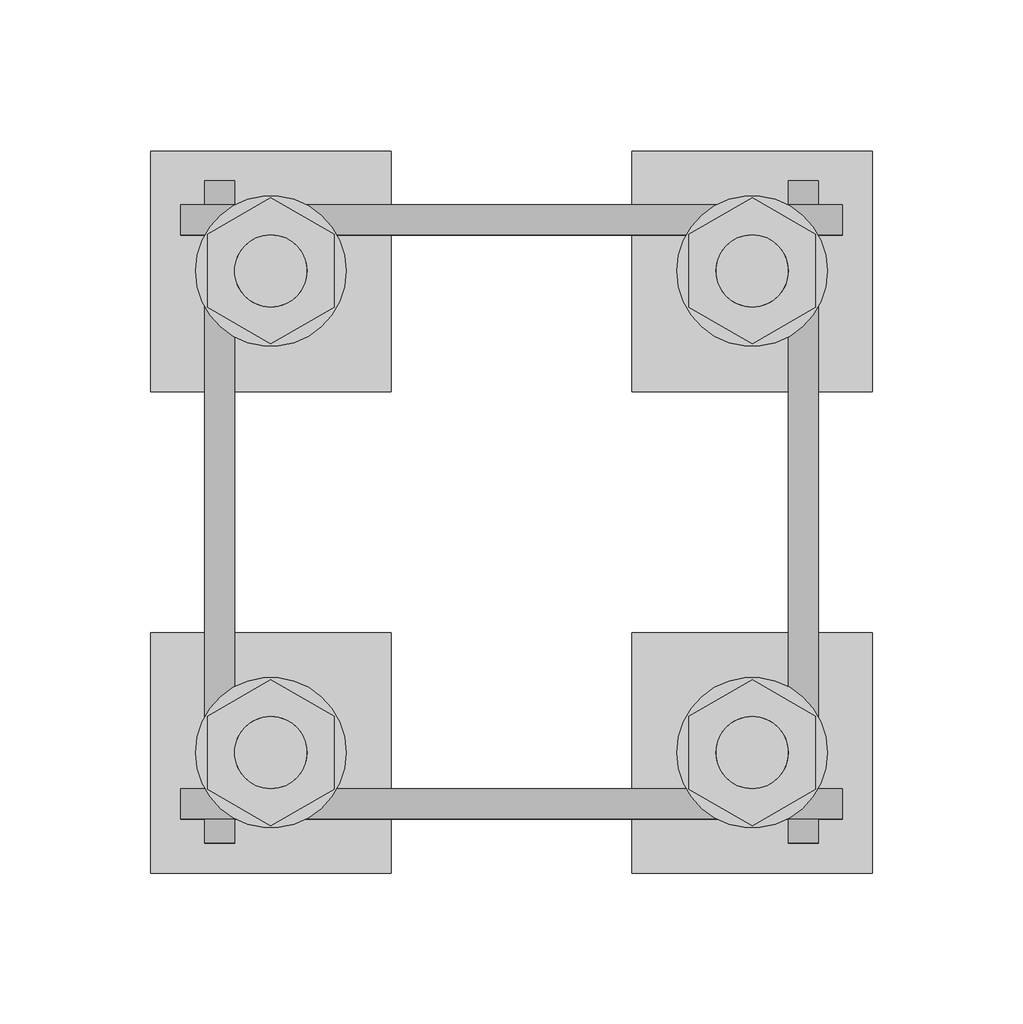
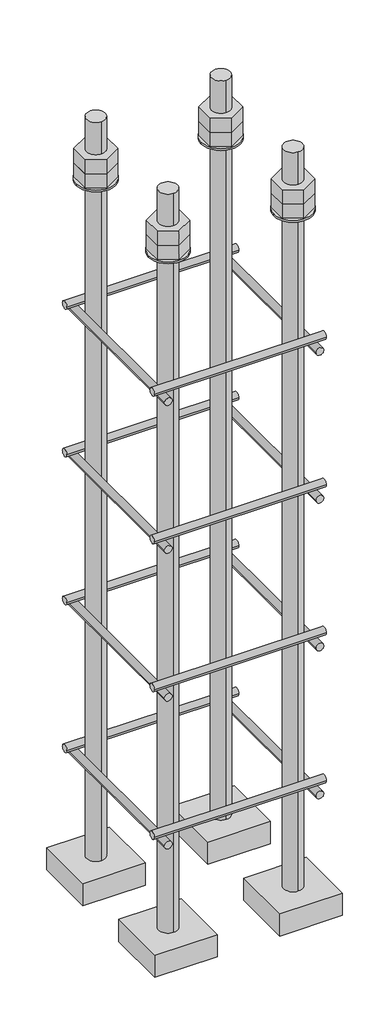
# One storey, part 8 of 66: 1 fastener.
"""IFC4 building model written with IfcOpenShell, lengths in millimetres."""

import ifcopenshell
import ifcopenshell.guid

model = None  # the IFC model being written
_history = None  # IfcOwnerHistory: only IFC2X3 demands one
_inside = {}  # id of a spatial element -> (the spatial element, [elements in it])
_under = {}  # id of a project, library or spatial element -> (it, [spatial elements below it])
_declared = {}  # id of a project -> (the project, [libraries it declares])
_typed = {}  # id of a type object -> (the type object, [elements of that type])
_made_of = {}  # id of a material, layer set ... -> (it, [elements and type objects made of it])


def new_model(schema):
    """Start an empty IFC model of exactly this schema.

    Asked for "IFC4X3", IfcOpenShell would pick the latest addendum, in which some entities
    have other attributes; the version numbers below select the first issue.
    IFC2X3 requires an IfcOwnerHistory on every rooted entity: one is made here for all.
    """
    global model, _history
    if schema == "IFC4X3":
        model = ifcopenshell.file(schema_version=(4, 3, 0, 0))
    else:
        model = ifcopenshell.file(schema=schema)
    _inside.clear()
    _under.clear()
    _declared.clear()
    _typed.clear()
    _made_of.clear()
    _history = None
    if model.schema == "IFC2X3":
        org = make("IfcOrganization", Name="unknown")
        user = make(
            "IfcPersonAndOrganization",
            ThePerson=make("IfcPerson", FamilyName="unknown"),
            TheOrganization=org,
        )
        app = make(
            "IfcApplication",
            ApplicationDeveloper=org,
            Version="unknown",
            ApplicationFullName="unknown",
            ApplicationIdentifier="unknown",
        )
        _history = make(
            "IfcOwnerHistory",
            OwningUser=user,
            OwningApplication=app,
            ChangeAction="ADDED",
            CreationDate=0,
        )
    return model


def make(cls, **values):
    """One entity of the class cls with the attributes given. An attribute that is None is left unset."""
    return model.create_entity(
        cls, **{name: value for name, value in values.items() if value is not None}
    )


def rooted(cls, **values):
    """An entity with a GlobalId (a new one), such as an element, a storey or a relation."""
    return make(cls, GlobalId=ifcopenshell.guid.new(), OwnerHistory=_history, **values)


def si_unit(unit_type, name, prefix=None):
    """IfcSIUnit, for example si_unit("LENGTHUNIT", "METRE", prefix="MILLI")."""
    return make("IfcSIUnit", UnitType=unit_type, Prefix=prefix, Name=name)


def assignment(units):
    """IfcUnitAssignment: the units of a project."""
    return None if units is None else make("IfcUnitAssignment", Units=units)


def point(xyz):
    """IfcCartesianPoint."""
    return None if xyz is None else make("IfcCartesianPoint", Coordinates=xyz)


def direction(xyz):
    """IfcDirection."""
    return None if xyz is None else make("IfcDirection", DirectionRatios=xyz)


def frame(location, z_axis=None, x_axis=None):
    """IfcAxis2Placement3D, a coordinate frame: its origin and axes. An axis left out is left unset."""
    return make(
        "IfcAxis2Placement3D",
        Location=point(location),
        Axis=direction(z_axis),
        RefDirection=direction(x_axis),
    )


def frame_2d(location, x_axis=None):
    """IfcAxis2Placement2D, a coordinate frame in the plane: its origin and x axis."""
    return make(
        "IfcAxis2Placement2D", Location=point(location), RefDirection=direction(x_axis)
    )


def origin():
    """The frame at (0, 0, 0) with its axes left unset."""
    return frame((0.0, 0.0, 0.0))


def place(relative_to, where):
    """IfcLocalPlacement: puts the frame where relative to a parent placement (None: the world)."""
    return make(
        "IfcLocalPlacement", PlacementRelTo=relative_to, RelativePlacement=where
    )


def context(
    kind, dimensions, precision=None, world=None, true_north=None, identifier=None
):
    """IfcGeometricRepresentationContext, for example the 3D "Model" context."""
    return make(
        "IfcGeometricRepresentationContext",
        ContextIdentifier=identifier,
        ContextType=kind,
        CoordinateSpaceDimension=dimensions,
        Precision=precision,
        WorldCoordinateSystem=world,
        TrueNorth=true_north,
    )


def project(units=None, contexts=None):
    """IfcProject with its units and contexts."""
    return rooted(
        "IfcProject",
        Name="project",
        RepresentationContexts=contexts,
        UnitsInContext=assignment(units),
    )


def spatial(cls, under=None, at=None, **own):
    """A site, building, storey or space (cls), placed at a placement, below another one or the project."""
    s = rooted(cls, ObjectPlacement=at, **own)
    if under is not None:
        _under.setdefault(under.id(), (under, []))[1].append(s)
    return s


def polyline(points):
    """IfcPolyline through the points."""
    return make("IfcPolyline", Points=[point(p) for p in points])


def circle_curve(where, radius):
    """IfcCircle in the frame where."""
    return make("IfcCircle", Position=where, Radius=radius)


def trimmed(basis, trim1, trim2, sense, master):
    """IfcTrimmedCurve: the piece of a basis curve between two trims."""
    return make(
        "IfcTrimmedCurve",
        BasisCurve=basis,
        Trim1=trim1,
        Trim2=trim2,
        SenseAgreement=sense,
        MasterRepresentation=master,
    )


def segment(curve, same_sense, transition):
    """IfcCompositeCurveSegment."""
    return make(
        "IfcCompositeCurveSegment",
        Transition=transition,
        SameSense=same_sense,
        ParentCurve=curve,
    )


def composite_curve(segments, self_intersect=None):
    """IfcCompositeCurve: segments joined end to end."""
    return make("IfcCompositeCurve", Segments=segments, SelfIntersect=self_intersect)


def outline(outer, holes=None, kind="AREA"):
    """IfcArbitraryClosedProfileDef: a profile drawn as a closed curve; with holes, ...WithVoids."""
    if holes is None:
        return make("IfcArbitraryClosedProfileDef", ProfileType=kind, OuterCurve=outer)
    return make(
        "IfcArbitraryProfileDefWithVoids",
        ProfileType=kind,
        OuterCurve=outer,
        InnerCurves=holes,
    )


def extrude(swept, where, along, depth):
    """IfcExtrudedAreaSolid: the profile swept, set in the frame where, extruded along a direction by depth."""
    return make(
        "IfcExtrudedAreaSolid",
        SweptArea=swept,
        Position=where,
        ExtrudedDirection=direction(along),
        Depth=depth,
    )


def shape(context_of_items, identifier, shape_type, items):
    """IfcShapeRepresentation: the items that make up one representation, for example the "Body"."""
    return make(
        "IfcShapeRepresentation",
        ContextOfItems=context_of_items,
        RepresentationIdentifier=identifier,
        RepresentationType=shape_type,
        Items=items,
    )


def made_of(thing, what):
    """Note that an element or type object is made of a material, layer set ...; save() writes the relation."""
    if what is not None:
        _made_of.setdefault(what.id(), (what, []))[1].append(thing)
    return thing


def element(
    cls,
    number,
    at=None,
    inside=None,
    cuts=None,
    type_object=None,
    material=None,
    context=None,
    identifier="Body",
    shape_type=None,
    held_by="IfcProductDefinitionShape",
    body=None,
    shapes=None,
    **own,
):
    """One element of the class cls, such as IfcWall. Its Tag is "e" and its number.

    at: its placement. inside: the storey or other place that contains it. cuts: it is an
    opening in that element (IfcRelVoidsElement). A single representation is given by context,
    identifier, shape_type and body (its items); several are given by shapes. held_by: the class
    of the entity that holds the representations. save() writes the other relations.
    """
    e = rooted(cls, Tag="e%d" % number, ObjectPlacement=at, **own)
    if body is not None:
        shapes = [shape(context, identifier, shape_type, body)]
    if shapes is not None:
        e.Representation = make(held_by, Representations=shapes)
    if inside is not None:
        _inside.setdefault(inside.id(), (inside, []))[1].append(e)
    if cuts is not None:
        rooted(
            "IfcRelVoidsElement", RelatingBuildingElement=cuts, RelatedOpeningElement=e
        )
    if type_object is not None:
        _typed.setdefault(type_object.id(), (type_object, []))[1].append(e)
    return made_of(e, material)


def aggregate(whole, parts):
    """IfcRelAggregates: a whole, such as a stair, and the parts it consists of."""
    return rooted("IfcRelAggregates", RelatingObject=whole, RelatedObjects=parts)


def save(model, path):
    """Write the relations noted so far, then the file.

    IfcRelAggregates (storeys below a building ...), IfcRelContainedInSpatialStructure (elements
    in a storey), IfcRelDefinesByType, IfcRelAssociatesMaterial and IfcRelDeclares: one each for
    every whole, place, type object, material and project.
    """
    for whole, parts in _under.values():
        aggregate(whole, parts)
    for where, things in _inside.values():
        rooted(
            "IfcRelContainedInSpatialStructure",
            RelatedElements=things,
            RelatingStructure=where,
        )
    for kind, things in _typed.values():
        rooted("IfcRelDefinesByType", RelatedObjects=things, RelatingType=kind)
    for what, things in _made_of.values():
        rooted("IfcRelAssociatesMaterial", RelatedObjects=things, RelatingMaterial=what)
    for by, libraries in _declared.values():
        rooted("IfcRelDeclares", RelatingContext=by, RelatedDefinitions=libraries)
    model.write(path)


def plane_surface(at):
    """IfcPlane: the flat surface through the origin of the frame at, square to its z axis."""
    return make("IfcPlane", Position=at)


def cylinder_surface(at, radius):
    """IfcCylindricalSurface: all points at the distance radius from the z axis of the frame at."""
    return make("IfcCylindricalSurface", Position=at, Radius=radius)


def advanced_brep(points, edges, surfaces, faces):
    """IfcAdvancedBrep: a solid bounded by faces that lie on surfaces and meet in shared edges.

    An edge is (start, end): straight between two places in points (the first is 0);
    or (start, end, curve); or (start, end, curve, False) where it runs against its curve.
    A face is (place in surfaces, loops), or (place, loops, False) where it looks against
    its surface's normal. A loop lists edges by number (the first is 1), with a minus sign
    where the edge is run from its end to its start. The first loop is the outer one.
    """
    corners = [point(p) for p in points]
    vertices = [make("IfcVertexPoint", VertexGeometry=c) for c in corners]
    made = []
    for start, end, *more in edges:
        made.append(
            make(
                "IfcEdgeCurve",
                EdgeStart=vertices[start],
                EdgeEnd=vertices[end],
                EdgeGeometry=more[0] if more else make("IfcPolyline", Points=[corners[start], corners[end]]),
                SameSense=more[1] if len(more) > 1 else True,
            )
        )
    hull = []
    for where, loops, *sense in faces:
        bounds = []
        for j, loop in enumerate(loops):
            ring = [make("IfcOrientedEdge", EdgeElement=made[abs(k) - 1], Orientation=k > 0) for k in loop]
            bounds.append(
                make(
                    "IfcFaceOuterBound" if j == 0 else "IfcFaceBound",
                    Bound=make("IfcEdgeLoop", EdgeList=ring),
                    Orientation=True,
                )
            )
        hull.append(make("IfcAdvancedFace", Bounds=bounds, FaceSurface=surfaces[where], SameSense=sense[0] if sense else True))
    return make("IfcAdvancedBrep", Outer=make("IfcClosedShell", CfsFaces=hull))


model = new_model("IFC4")

# Units and contexts
model_context = context("Model", 3, world=origin())
ifc_project = project(units=[si_unit("LENGTHUNIT", "METRE", prefix="MILLI")], contexts=[model_context])

# Site, building, storey
site = spatial("IfcSite", under=ifc_project)
building = spatial("IfcBuilding", under=site)
storey = spatial("IfcBuildingStorey", under=building, Elevation=9070.0)

# Fastener
placement = place(None, origin())
element("IfcFastener", 1, ObjectType="AU1 : AU-01", at=placement, inside=storey, context=model_context, shape_type="SolidModel", body=[
    extrude(outline(composite_curve([segment(trimmed(circle_curve(frame_2d((14703.0, 8395.0)), 5.0), [point((14698.0, 8395.0))], [point((14708.0, 8395.0))], False, "CARTESIAN"), True, "CONTINUOUS"), segment(trimmed(circle_curve(frame_2d((14703.0, 8395.0)), 5.0), [point((14708.0, 8395.0))], [point((14698.0, 8395.0))], False, "CARTESIAN"), True, "CONTINUOUS")], self_intersect=False)), frame((27890.0, 0.0, 0.0), z_axis=(1.0, 0.0, 0.0), x_axis=(0.0, 1.0, 0.0)), (0.0, 0.0, 1.0), 220.0),
    extrude(outline(composite_curve([segment(trimmed(circle_curve(frame_2d((14897.0, 8395.0)), 5.0), [point((14902.0, 8395.0))], [point((14892.0, 8395.0))], False, "CARTESIAN"), True, "CONTINUOUS"), segment(trimmed(circle_curve(frame_2d((14897.0, 8395.0)), 5.0), [point((14892.0, 8395.0))], [point((14902.0, 8395.0))], False, "CARTESIAN"), True, "CONTINUOUS")], self_intersect=False)), frame((27890.0, 0.0, 0.0), z_axis=(1.0, 0.0, 0.0), x_axis=(0.0, 1.0, 0.0)), (0.0, 0.0, 1.0), 220.0),
    extrude(outline(composite_curve([segment(trimmed(circle_curve(frame_2d((8385.0, 27903.0)), 5.0), [point((8385.0, 27898.0))], [point((8385.0, 27908.0))], False, "CARTESIAN"), True, "CONTINUOUS"), segment(trimmed(circle_curve(frame_2d((8385.0, 27903.0)), 5.0), [point((8385.0, 27908.0))], [point((8385.0, 27898.0))], False, "CARTESIAN"), True, "CONTINUOUS")], self_intersect=False)), frame((0.0, 14690.0, 0.0), z_axis=(0.0, 1.0, 0.0), x_axis=(0.0, 0.0, 1.0)), (0.0, 0.0, 1.0), 220.0),
    extrude(outline(composite_curve([segment(trimmed(circle_curve(frame_2d((8385.0, 28097.0)), 5.0), [point((8385.0, 28102.0))], [point((8385.0, 28092.0))], False, "CARTESIAN"), True, "CONTINUOUS"), segment(trimmed(circle_curve(frame_2d((8385.0, 28097.0)), 5.0), [point((8385.0, 28092.0))], [point((8385.0, 28102.0))], False, "CARTESIAN"), True, "CONTINUOUS")], self_intersect=False)), frame((0.0, 14690.0, 0.0), z_axis=(0.0, 1.0, 0.0), x_axis=(0.0, 0.0, 1.0)), (0.0, 0.0, 1.0), 220.0),
    extrude(outline(composite_curve([segment(trimmed(circle_curve(frame_2d((14703.0, 8595.0)), 5.0), [point((14698.0, 8595.0))], [point((14708.0, 8595.0))], False, "CARTESIAN"), True, "CONTINUOUS"), segment(trimmed(circle_curve(frame_2d((14703.0, 8595.0)), 5.0), [point((14708.0, 8595.0))], [point((14698.0, 8595.0))], False, "CARTESIAN"), True, "CONTINUOUS")], self_intersect=False)), frame((27890.0, 0.0, 0.0), z_axis=(1.0, 0.0, 0.0), x_axis=(0.0, 1.0, 0.0)), (0.0, 0.0, 1.0), 220.0),
    extrude(outline(composite_curve([segment(trimmed(circle_curve(frame_2d((14897.0, 8595.0)), 5.0), [point((14902.0, 8595.0))], [point((14892.0, 8595.0))], False, "CARTESIAN"), True, "CONTINUOUS"), segment(trimmed(circle_curve(frame_2d((14897.0, 8595.0)), 5.0), [point((14892.0, 8595.0))], [point((14902.0, 8595.0))], False, "CARTESIAN"), True, "CONTINUOUS")], self_intersect=False)), frame((27890.0, 0.0, 0.0), z_axis=(1.0, 0.0, 0.0), x_axis=(0.0, 1.0, 0.0)), (0.0, 0.0, 1.0), 220.0),
    extrude(outline(composite_curve([segment(trimmed(circle_curve(frame_2d((8585.0, 27903.0)), 5.0), [point((8585.0, 27898.0))], [point((8585.0, 27908.0))], False, "CARTESIAN"), True, "CONTINUOUS"), segment(trimmed(circle_curve(frame_2d((8585.0, 27903.0)), 5.0), [point((8585.0, 27908.0))], [point((8585.0, 27898.0))], False, "CARTESIAN"), True, "CONTINUOUS")], self_intersect=False)), frame((0.0, 14690.0, 0.0), z_axis=(0.0, 1.0, 0.0), x_axis=(0.0, 0.0, 1.0)), (0.0, 0.0, 1.0), 220.0),
    extrude(outline(composite_curve([segment(trimmed(circle_curve(frame_2d((8585.0, 28097.0)), 5.0), [point((8585.0, 28102.0))], [point((8585.0, 28092.0))], False, "CARTESIAN"), True, "CONTINUOUS"), segment(trimmed(circle_curve(frame_2d((8585.0, 28097.0)), 5.0), [point((8585.0, 28092.0))], [point((8585.0, 28102.0))], False, "CARTESIAN"), True, "CONTINUOUS")], self_intersect=False)), frame((0.0, 14690.0, 0.0), z_axis=(0.0, 1.0, 0.0), x_axis=(0.0, 0.0, 1.0)), (0.0, 0.0, 1.0), 220.0),
    extrude(outline(composite_curve([segment(trimmed(circle_curve(frame_2d((14703.0, 8795.0)), 5.0), [point((14698.0, 8795.0))], [point((14708.0, 8795.0))], False, "CARTESIAN"), True, "CONTINUOUS"), segment(trimmed(circle_curve(frame_2d((14703.0, 8795.0)), 5.0), [point((14708.0, 8795.0))], [point((14698.0, 8795.0))], False, "CARTESIAN"), True, "CONTINUOUS")], self_intersect=False)), frame((27890.0, 0.0, 0.0), z_axis=(1.0, 0.0, 0.0), x_axis=(0.0, 1.0, 0.0)), (0.0, 0.0, 1.0), 220.0),
    extrude(outline(composite_curve([segment(trimmed(circle_curve(frame_2d((14897.0, 8795.0)), 5.0), [point((14902.0, 8795.0))], [point((14892.0, 8795.0))], False, "CARTESIAN"), True, "CONTINUOUS"), segment(trimmed(circle_curve(frame_2d((14897.0, 8795.0)), 5.0), [point((14892.0, 8795.0))], [point((14902.0, 8795.0))], False, "CARTESIAN"), True, "CONTINUOUS")], self_intersect=False)), frame((27890.0, 0.0, 0.0), z_axis=(1.0, 0.0, 0.0), x_axis=(0.0, 1.0, 0.0)), (0.0, 0.0, 1.0), 220.0),
    extrude(outline(composite_curve([segment(trimmed(circle_curve(frame_2d((8785.0, 27903.0)), 5.0), [point((8785.0, 27898.0))], [point((8785.0, 27908.0))], False, "CARTESIAN"), True, "CONTINUOUS"), segment(trimmed(circle_curve(frame_2d((8785.0, 27903.0)), 5.0), [point((8785.0, 27908.0))], [point((8785.0, 27898.0))], False, "CARTESIAN"), True, "CONTINUOUS")], self_intersect=False)), frame((0.0, 14690.0, 0.0), z_axis=(0.0, 1.0, 0.0), x_axis=(0.0, 0.0, 1.0)), (0.0, 0.0, 1.0), 220.0),
    extrude(outline(composite_curve([segment(trimmed(circle_curve(frame_2d((8785.0, 28097.0)), 5.0), [point((8785.0, 28102.0))], [point((8785.0, 28092.0))], False, "CARTESIAN"), True, "CONTINUOUS"), segment(trimmed(circle_curve(frame_2d((8785.0, 28097.0)), 5.0), [point((8785.0, 28092.0))], [point((8785.0, 28102.0))], False, "CARTESIAN"), True, "CONTINUOUS")], self_intersect=False)), frame((0.0, 14690.0, 0.0), z_axis=(0.0, 1.0, 0.0), x_axis=(0.0, 0.0, 1.0)), (0.0, 0.0, 1.0), 220.0),
    extrude(outline(composite_curve([segment(trimmed(circle_curve(frame_2d((14703.0, 8995.0)), 5.0), [point((14698.0, 8995.0))], [point((14708.0, 8995.0))], False, "CARTESIAN"), True, "CONTINUOUS"), segment(trimmed(circle_curve(frame_2d((14703.0, 8995.0)), 5.0), [point((14708.0, 8995.0))], [point((14698.0, 8995.0))], False, "CARTESIAN"), True, "CONTINUOUS")], self_intersect=False)), frame((27890.0, 0.0, 0.0), z_axis=(1.0, 0.0, 0.0), x_axis=(0.0, 1.0, 0.0)), (0.0, 0.0, 1.0), 220.0),
    extrude(outline(composite_curve([segment(trimmed(circle_curve(frame_2d((14897.0, 8995.0)), 5.0), [point((14902.0, 8995.0))], [point((14892.0, 8995.0))], False, "CARTESIAN"), True, "CONTINUOUS"), segment(trimmed(circle_curve(frame_2d((14897.0, 8995.0)), 5.0), [point((14892.0, 8995.0))], [point((14902.0, 8995.0))], False, "CARTESIAN"), True, "CONTINUOUS")], self_intersect=False)), frame((27890.0, 0.0, 0.0), z_axis=(1.0, 0.0, 0.0), x_axis=(0.0, 1.0, 0.0)), (0.0, 0.0, 1.0), 220.0),
    extrude(outline(composite_curve([segment(trimmed(circle_curve(frame_2d((8985.0, 27903.0)), 5.0), [point((8985.0, 27898.0))], [point((8985.0, 27908.0))], False, "CARTESIAN"), True, "CONTINUOUS"), segment(trimmed(circle_curve(frame_2d((8985.0, 27903.0)), 5.0), [point((8985.0, 27908.0))], [point((8985.0, 27898.0))], False, "CARTESIAN"), True, "CONTINUOUS")], self_intersect=False)), frame((0.0, 14690.0, 0.0), z_axis=(0.0, 1.0, 0.0), x_axis=(0.0, 0.0, 1.0)), (0.0, 0.0, 1.0), 220.0),
    extrude(outline(composite_curve([segment(trimmed(circle_curve(frame_2d((8985.0, 28097.0)), 5.0), [point((8985.0, 28102.0))], [point((8985.0, 28092.0))], False, "CARTESIAN"), True, "CONTINUOUS"), segment(trimmed(circle_curve(frame_2d((8985.0, 28097.0)), 5.0), [point((8985.0, 28092.0))], [point((8985.0, 28102.0))], False, "CARTESIAN"), True, "CONTINUOUS")], self_intersect=False)), frame((0.0, 14690.0, 0.0), z_axis=(0.0, 1.0, 0.0), x_axis=(0.0, 0.0, 1.0)), (0.0, 0.0, 1.0), 220.0),
    advanced_brep(
    [(27960.0, 14920.0, 8250.0), (27880.0, 14920.0, 8250.0), (27880.0, 14840.0, 8250.0), (27960.0, 14840.0, 8250.0), (27920.0, 14868.0, 8250.0), (27920.0, 14892.0, 8250.0), (27960.0, 14920.0, 8220.0), (27960.0, 14840.0, 8220.0), (27880.0, 14840.0, 8220.0), (27880.0, 14920.0, 8220.0), (27920.0, 14892.0, 9250.0), (27920.0, 14868.0, 9250.0)],
    [
        (0, 1),
        (1, 2),
        (2, 3),
        (3, 0),
        (4, 5, circle_curve(frame((27920.0, 14880.0, 8250.0), z_axis=(0.0, 0.0, -1.0), x_axis=(0.0, -1.0, 0.0)), 12.0)),
        (5, 4, circle_curve(frame((27920.0, 14880.0, 8250.0), z_axis=(0.0, 0.0, -1.0), x_axis=(0.0, -1.0, 0.0)), 12.0)),
        (6, 7),
        (7, 8),
        (8, 9),
        (9, 6),
        (0, 6),
        (9, 1),
        (8, 2),
        (7, 3),
        (10, 11, circle_curve(frame((27920.0, 14880.0, 9250.0), z_axis=(0.0, 0.0, 1.0), x_axis=(0.0, -1.0, 0.0)), 12.0)),
        (11, 10, circle_curve(frame((27920.0, 14880.0, 9250.0), z_axis=(0.0, 0.0, 1.0), x_axis=(0.0, -1.0, 0.0)), 12.0)),
        (10, 5),
        (4, 11),
    ],
    [
        plane_surface(frame((27880.0, 14920.0, 8250.0), z_axis=(0.0, 0.0, 1.0), x_axis=(-1.0, 0.0, 0.0))),
        plane_surface(frame((27880.0, 14920.0, 8220.0), z_axis=(0.0, 0.0, -1.0), x_axis=(1.0, 0.0, 0.0))),
        plane_surface(frame((27960.0, 14920.0, 8250.0), z_axis=(0.0, 1.0, 0.0), x_axis=(0.0, 0.0, -1.0))),
        plane_surface(frame((27880.0, 14920.0, 8250.0), z_axis=(-1.0, 0.0, 0.0), x_axis=(0.0, 0.0, -1.0))),
        plane_surface(frame((27880.0, 14840.0, 8250.0), z_axis=(0.0, -1.0, 0.0), x_axis=(0.0, 0.0, -1.0))),
        plane_surface(frame((27960.0, 14840.0, 8250.0), z_axis=(1.0, 0.0, 0.0), x_axis=(0.0, 0.0, -1.0))),
        plane_surface(frame((27920.0, 14880.0, 9250.0), z_axis=(0.0, 0.0, 1.0), x_axis=(0.0, -1.0, 0.0))),
        cylinder_surface(frame((27920.0, 14880.0, 9250.0), z_axis=(0.0, 0.0, 1.0), x_axis=(0.0, -1.0, 0.0)), 12.0),
    ],
    [
        (0, [[1, 2, 3, 4], [5, 6]]),
        (1, [[7, 8, 9, 10]]),
        (2, [[-1, 11, -10, 12]]),
        (3, [[-2, -12, -9, 13]]),
        (4, [[-3, -13, -8, 14]]),
        (5, [[-4, -14, -7, -11]]),
        (6, [[15, 16]]),
        (7, [[-15, 17, -5, 18]]),
        (7, [[-16, -18, -6, -17]]),
    ],
),
    extrude(outline(composite_curve([segment(trimmed(circle_curve(frame_2d((27920.0, 14880.0)), 25.0), [point((27945.0, 14880.0))], [point((27895.0, 14880.0))], False, "CARTESIAN"), True, "CONTINUOUS"), segment(trimmed(circle_curve(frame_2d((27920.0, 14880.0)), 25.0), [point((27895.0, 14880.0))], [point((27945.0, 14880.0))], False, "CARTESIAN"), True, "CONTINUOUS")], self_intersect=False), holes=[composite_curve([segment(trimmed(circle_curve(frame_2d((27920.0, 14880.0)), 12.0), [point((27932.0, 14880.0))], [point((27908.0, 14880.0))], True, "CARTESIAN"), True, "CONTINUOUS"), segment(trimmed(circle_curve(frame_2d((27920.0, 14880.0)), 12.0), [point((27908.0, 14880.0))], [point((27932.0, 14880.0))], True, "CARTESIAN"), True, "CONTINUOUS")], self_intersect=False)]), frame((0.0, 0.0, 9165.0), z_axis=(0.0, 0.0, 1.0), x_axis=(1.0, 0.0, 0.0)), (0.0, 0.0, 1.0), 2.5),
    extrude(outline(polyline([(27920.0, 14904.2487113), (27941.0, 14892.1243557), (27941.0, 14867.8756443), (27920.0, 14855.7512887), (27899.0, 14867.8756443), (27899.0, 14892.1243557), (27920.0, 14904.2487113)]), holes=[composite_curve([segment(trimmed(circle_curve(frame_2d((27920.0, 14880.0)), 12.0), [point((27932.0, 14880.0))], [point((27908.0, 14880.0))], True, "CARTESIAN"), True, "CONTINUOUS"), segment(trimmed(circle_curve(frame_2d((27920.0, 14880.0)), 12.0), [point((27908.0, 14880.0))], [point((27932.0, 14880.0))], True, "CARTESIAN"), True, "CONTINUOUS")], self_intersect=False)]), frame((0.0, 0.0, 9187.0), z_axis=(0.0, 0.0, 1.0), x_axis=(1.0, 0.0, 0.0)), (0.0, 0.0, 1.0), 19.5),
    extrude(outline(polyline([(27920.0, 14904.2487113), (27941.0, 14892.1243557), (27941.0, 14867.8756443), (27920.0, 14855.7512887), (27899.0, 14867.8756443), (27899.0, 14892.1243557), (27920.0, 14904.2487113)]), holes=[composite_curve([segment(trimmed(circle_curve(frame_2d((27920.0, 14880.0)), 12.0), [point((27932.0, 14880.0))], [point((27908.0, 14880.0))], True, "CARTESIAN"), True, "CONTINUOUS"), segment(trimmed(circle_curve(frame_2d((27920.0, 14880.0)), 12.0), [point((27908.0, 14880.0))], [point((27932.0, 14880.0))], True, "CARTESIAN"), True, "CONTINUOUS")], self_intersect=False)]), frame((0.0, 0.0, 9167.5), z_axis=(0.0, 0.0, 1.0), x_axis=(1.0, 0.0, 0.0)), (0.0, 0.0, 1.0), 19.5),
    advanced_brep(
    [(28040.0, 14840.0, 8250.0), (28120.0, 14840.0, 8250.0), (28120.0, 14920.0, 8250.0), (28040.0, 14920.0, 8250.0), (28080.0, 14892.0, 8250.0), (28080.0, 14868.0, 8250.0), (28040.0, 14840.0, 8220.0), (28040.0, 14920.0, 8220.0), (28120.0, 14920.0, 8220.0), (28120.0, 14840.0, 8220.0), (28080.0, 14868.0, 9250.0), (28080.0, 14892.0, 9250.0)],
    [
        (0, 1),
        (1, 2),
        (2, 3),
        (3, 0),
        (4, 5, circle_curve(frame((28080.0, 14880.0, 8250.0), z_axis=(0.0, 0.0, -1.0), x_axis=(0.0, 1.0, 0.0)), 12.0)),
        (5, 4, circle_curve(frame((28080.0, 14880.0, 8250.0), z_axis=(0.0, 0.0, -1.0), x_axis=(0.0, 1.0, 0.0)), 12.0)),
        (6, 7),
        (7, 8),
        (8, 9),
        (9, 6),
        (0, 6),
        (9, 1),
        (8, 2),
        (7, 3),
        (10, 11, circle_curve(frame((28080.0, 14880.0, 9250.0), z_axis=(0.0, 0.0, 1.0), x_axis=(0.0, 1.0, 0.0)), 12.0)),
        (11, 10, circle_curve(frame((28080.0, 14880.0, 9250.0), z_axis=(0.0, 0.0, 1.0), x_axis=(0.0, 1.0, 0.0)), 12.0)),
        (10, 5),
        (4, 11),
    ],
    [
        plane_surface(frame((28120.0, 14840.0, 8250.0), z_axis=(0.0, 0.0, 1.0), x_axis=(1.0, 0.0, 0.0))),
        plane_surface(frame((28120.0, 14840.0, 8220.0), z_axis=(0.0, 0.0, -1.0), x_axis=(-1.0, 0.0, 0.0))),
        plane_surface(frame((28040.0, 14840.0, 8250.0), z_axis=(0.0, -1.0, 0.0), x_axis=(0.0, 0.0, -1.0))),
        plane_surface(frame((28120.0, 14840.0, 8250.0), z_axis=(1.0, 0.0, 0.0), x_axis=(0.0, 0.0, -1.0))),
        plane_surface(frame((28120.0, 14920.0, 8250.0), z_axis=(0.0, 1.0, 0.0), x_axis=(0.0, 0.0, -1.0))),
        plane_surface(frame((28040.0, 14920.0, 8250.0), z_axis=(-1.0, 0.0, 0.0), x_axis=(0.0, 0.0, -1.0))),
        plane_surface(frame((28080.0, 14880.0, 9250.0), z_axis=(0.0, 0.0, 1.0), x_axis=(0.0, 1.0, 0.0))),
        cylinder_surface(frame((28080.0, 14880.0, 9250.0), z_axis=(0.0, 0.0, 1.0), x_axis=(0.0, 1.0, 0.0)), 12.0),
    ],
    [
        (0, [[1, 2, 3, 4], [5, 6]]),
        (1, [[7, 8, 9, 10]]),
        (2, [[-1, 11, -10, 12]]),
        (3, [[-2, -12, -9, 13]]),
        (4, [[-3, -13, -8, 14]]),
        (5, [[-4, -14, -7, -11]]),
        (6, [[15, 16]]),
        (7, [[-15, 17, -5, 18]]),
        (7, [[-16, -18, -6, -17]]),
    ],
),
    extrude(outline(composite_curve([segment(trimmed(circle_curve(frame_2d((28080.0, 14880.0)), 25.0), [point((28055.0, 14880.0))], [point((28105.0, 14880.0))], False, "CARTESIAN"), True, "CONTINUOUS"), segment(trimmed(circle_curve(frame_2d((28080.0, 14880.0)), 25.0), [point((28105.0, 14880.0))], [point((28055.0, 14880.0))], False, "CARTESIAN"), True, "CONTINUOUS")], self_intersect=False), holes=[composite_curve([segment(trimmed(circle_curve(frame_2d((28080.0, 14880.0)), 12.0), [point((28068.0, 14880.0))], [point((28092.0, 14880.0))], True, "CARTESIAN"), True, "CONTINUOUS"), segment(trimmed(circle_curve(frame_2d((28080.0, 14880.0)), 12.0), [point((28092.0, 14880.0))], [point((28068.0, 14880.0))], True, "CARTESIAN"), True, "CONTINUOUS")], self_intersect=False)]), frame((0.0, 0.0, 9165.0), z_axis=(0.0, 0.0, 1.0), x_axis=(1.0, 0.0, 0.0)), (0.0, 0.0, 1.0), 2.5),
    extrude(outline(polyline([(28080.0, 14855.7512887), (28059.0, 14867.8756443), (28059.0, 14892.1243557), (28080.0, 14904.2487113), (28101.0, 14892.1243557), (28101.0, 14867.8756443), (28080.0, 14855.7512887)]), holes=[composite_curve([segment(trimmed(circle_curve(frame_2d((28080.0, 14880.0)), 12.0), [point((28068.0, 14880.0))], [point((28092.0, 14880.0))], True, "CARTESIAN"), True, "CONTINUOUS"), segment(trimmed(circle_curve(frame_2d((28080.0, 14880.0)), 12.0), [point((28092.0, 14880.0))], [point((28068.0, 14880.0))], True, "CARTESIAN"), True, "CONTINUOUS")], self_intersect=False)]), frame((0.0, 0.0, 9187.0), z_axis=(0.0, 0.0, 1.0), x_axis=(1.0, 0.0, 0.0)), (0.0, 0.0, 1.0), 19.5),
    extrude(outline(polyline([(28080.0, 14855.7512887), (28059.0, 14867.8756443), (28059.0, 14892.1243557), (28080.0, 14904.2487113), (28101.0, 14892.1243557), (28101.0, 14867.8756443), (28080.0, 14855.7512887)]), holes=[composite_curve([segment(trimmed(circle_curve(frame_2d((28080.0, 14880.0)), 12.0), [point((28068.0, 14880.0))], [point((28092.0, 14880.0))], True, "CARTESIAN"), True, "CONTINUOUS"), segment(trimmed(circle_curve(frame_2d((28080.0, 14880.0)), 12.0), [point((28092.0, 14880.0))], [point((28068.0, 14880.0))], True, "CARTESIAN"), True, "CONTINUOUS")], self_intersect=False)]), frame((0.0, 0.0, 9167.5), z_axis=(0.0, 0.0, 1.0), x_axis=(1.0, 0.0, 0.0)), (0.0, 0.0, 1.0), 19.5),
    advanced_brep(
    [(28040.0, 14680.0, 8250.0), (28120.0, 14680.0, 8250.0), (28120.0, 14760.0, 8250.0), (28040.0, 14760.0, 8250.0), (28080.0, 14732.0, 8250.0), (28080.0, 14708.0, 8250.0), (28040.0, 14680.0, 8220.0), (28040.0, 14760.0, 8220.0), (28120.0, 14760.0, 8220.0), (28120.0, 14680.0, 8220.0), (28080.0, 14708.0, 9250.0), (28080.0, 14732.0, 9250.0)],
    [
        (0, 1),
        (1, 2),
        (2, 3),
        (3, 0),
        (4, 5, circle_curve(frame((28080.0, 14720.0, 8250.0), z_axis=(0.0, 0.0, -1.0), x_axis=(0.0, 1.0, 0.0)), 12.0)),
        (5, 4, circle_curve(frame((28080.0, 14720.0, 8250.0), z_axis=(0.0, 0.0, -1.0), x_axis=(0.0, 1.0, 0.0)), 12.0)),
        (6, 7),
        (7, 8),
        (8, 9),
        (9, 6),
        (0, 6),
        (9, 1),
        (8, 2),
        (7, 3),
        (10, 11, circle_curve(frame((28080.0, 14720.0, 9250.0), z_axis=(0.0, 0.0, 1.0), x_axis=(0.0, 1.0, 0.0)), 12.0)),
        (11, 10, circle_curve(frame((28080.0, 14720.0, 9250.0), z_axis=(0.0, 0.0, 1.0), x_axis=(0.0, 1.0, 0.0)), 12.0)),
        (10, 5),
        (4, 11),
    ],
    [
        plane_surface(frame((28120.0, 14680.0, 8250.0), z_axis=(0.0, 0.0, 1.0), x_axis=(1.0, 0.0, 0.0))),
        plane_surface(frame((28120.0, 14680.0, 8220.0), z_axis=(0.0, 0.0, -1.0), x_axis=(-1.0, 0.0, 0.0))),
        plane_surface(frame((28040.0, 14680.0, 8250.0), z_axis=(0.0, -1.0, 0.0), x_axis=(0.0, 0.0, -1.0))),
        plane_surface(frame((28120.0, 14680.0, 8250.0), z_axis=(1.0, 0.0, 0.0), x_axis=(0.0, 0.0, -1.0))),
        plane_surface(frame((28120.0, 14760.0, 8250.0), z_axis=(0.0, 1.0, 0.0), x_axis=(0.0, 0.0, -1.0))),
        plane_surface(frame((28040.0, 14760.0, 8250.0), z_axis=(-1.0, 0.0, 0.0), x_axis=(0.0, 0.0, -1.0))),
        plane_surface(frame((28080.0, 14720.0, 9250.0), z_axis=(0.0, 0.0, 1.0), x_axis=(0.0, 1.0, 0.0))),
        cylinder_surface(frame((28080.0, 14720.0, 9250.0), z_axis=(0.0, 0.0, 1.0), x_axis=(0.0, 1.0, 0.0)), 12.0),
    ],
    [
        (0, [[1, 2, 3, 4], [5, 6]]),
        (1, [[7, 8, 9, 10]]),
        (2, [[-1, 11, -10, 12]]),
        (3, [[-2, -12, -9, 13]]),
        (4, [[-3, -13, -8, 14]]),
        (5, [[-4, -14, -7, -11]]),
        (6, [[15, 16]]),
        (7, [[-15, 17, -5, 18]]),
        (7, [[-16, -18, -6, -17]]),
    ],
),
    extrude(outline(composite_curve([segment(trimmed(circle_curve(frame_2d((28080.0, 14720.0)), 25.0), [point((28055.0, 14720.0))], [point((28105.0, 14720.0))], False, "CARTESIAN"), True, "CONTINUOUS"), segment(trimmed(circle_curve(frame_2d((28080.0, 14720.0)), 25.0), [point((28105.0, 14720.0))], [point((28055.0, 14720.0))], False, "CARTESIAN"), True, "CONTINUOUS")], self_intersect=False), holes=[composite_curve([segment(trimmed(circle_curve(frame_2d((28080.0, 14720.0)), 12.0), [point((28068.0, 14720.0))], [point((28092.0, 14720.0))], True, "CARTESIAN"), True, "CONTINUOUS"), segment(trimmed(circle_curve(frame_2d((28080.0, 14720.0)), 12.0), [point((28092.0, 14720.0))], [point((28068.0, 14720.0))], True, "CARTESIAN"), True, "CONTINUOUS")], self_intersect=False)]), frame((0.0, 0.0, 9165.0), z_axis=(0.0, 0.0, 1.0), x_axis=(1.0, 0.0, 0.0)), (0.0, 0.0, 1.0), 2.5),
    extrude(outline(polyline([(28080.0, 14695.7512887), (28059.0, 14707.8756443), (28059.0, 14732.1243557), (28080.0, 14744.2487113), (28101.0, 14732.1243557), (28101.0, 14707.8756443), (28080.0, 14695.7512887)]), holes=[composite_curve([segment(trimmed(circle_curve(frame_2d((28080.0, 14720.0)), 12.0), [point((28068.0, 14720.0))], [point((28092.0, 14720.0))], True, "CARTESIAN"), True, "CONTINUOUS"), segment(trimmed(circle_curve(frame_2d((28080.0, 14720.0)), 12.0), [point((28092.0, 14720.0))], [point((28068.0, 14720.0))], True, "CARTESIAN"), True, "CONTINUOUS")], self_intersect=False)]), frame((0.0, 0.0, 9187.0), z_axis=(0.0, 0.0, 1.0), x_axis=(1.0, 0.0, 0.0)), (0.0, 0.0, 1.0), 19.5),
    extrude(outline(polyline([(28080.0, 14695.7512887), (28059.0, 14707.8756443), (28059.0, 14732.1243557), (28080.0, 14744.2487113), (28101.0, 14732.1243557), (28101.0, 14707.8756443), (28080.0, 14695.7512887)]), holes=[composite_curve([segment(trimmed(circle_curve(frame_2d((28080.0, 14720.0)), 12.0), [point((28068.0, 14720.0))], [point((28092.0, 14720.0))], True, "CARTESIAN"), True, "CONTINUOUS"), segment(trimmed(circle_curve(frame_2d((28080.0, 14720.0)), 12.0), [point((28092.0, 14720.0))], [point((28068.0, 14720.0))], True, "CARTESIAN"), True, "CONTINUOUS")], self_intersect=False)]), frame((0.0, 0.0, 9167.5), z_axis=(0.0, 0.0, 1.0), x_axis=(1.0, 0.0, 0.0)), (0.0, 0.0, 1.0), 19.5),
    advanced_brep(
    [(27960.0, 14760.0, 8250.0), (27880.0, 14760.0, 8250.0), (27880.0, 14680.0, 8250.0), (27960.0, 14680.0, 8250.0), (27920.0, 14708.0, 8250.0), (27920.0, 14732.0, 8250.0), (27960.0, 14760.0, 8220.0), (27960.0, 14680.0, 8220.0), (27880.0, 14680.0, 8220.0), (27880.0, 14760.0, 8220.0), (27920.0, 14732.0, 9250.0), (27920.0, 14708.0, 9250.0)],
    [
        (0, 1),
        (1, 2),
        (2, 3),
        (3, 0),
        (4, 5, circle_curve(frame((27920.0, 14720.0, 8250.0), z_axis=(0.0, 0.0, -1.0), x_axis=(0.0, -1.0, 0.0)), 12.0)),
        (5, 4, circle_curve(frame((27920.0, 14720.0, 8250.0), z_axis=(0.0, 0.0, -1.0), x_axis=(0.0, -1.0, 0.0)), 12.0)),
        (6, 7),
        (7, 8),
        (8, 9),
        (9, 6),
        (0, 6),
        (9, 1),
        (8, 2),
        (7, 3),
        (10, 11, circle_curve(frame((27920.0, 14720.0, 9250.0), z_axis=(0.0, 0.0, 1.0), x_axis=(0.0, -1.0, 0.0)), 12.0)),
        (11, 10, circle_curve(frame((27920.0, 14720.0, 9250.0), z_axis=(0.0, 0.0, 1.0), x_axis=(0.0, -1.0, 0.0)), 12.0)),
        (10, 5),
        (4, 11),
    ],
    [
        plane_surface(frame((27880.0, 14760.0, 8250.0), z_axis=(0.0, 0.0, 1.0), x_axis=(-1.0, 0.0, 0.0))),
        plane_surface(frame((27880.0, 14760.0, 8220.0), z_axis=(0.0, 0.0, -1.0), x_axis=(1.0, 0.0, 0.0))),
        plane_surface(frame((27960.0, 14760.0, 8250.0), z_axis=(0.0, 1.0, 0.0), x_axis=(0.0, 0.0, -1.0))),
        plane_surface(frame((27880.0, 14760.0, 8250.0), z_axis=(-1.0, 0.0, 0.0), x_axis=(0.0, 0.0, -1.0))),
        plane_surface(frame((27880.0, 14680.0, 8250.0), z_axis=(0.0, -1.0, 0.0), x_axis=(0.0, 0.0, -1.0))),
        plane_surface(frame((27960.0, 14680.0, 8250.0), z_axis=(1.0, 0.0, 0.0), x_axis=(0.0, 0.0, -1.0))),
        plane_surface(frame((27920.0, 14720.0, 9250.0), z_axis=(0.0, 0.0, 1.0), x_axis=(0.0, -1.0, 0.0))),
        cylinder_surface(frame((27920.0, 14720.0, 9250.0), z_axis=(0.0, 0.0, 1.0), x_axis=(0.0, -1.0, 0.0)), 12.0),
    ],
    [
        (0, [[1, 2, 3, 4], [5, 6]]),
        (1, [[7, 8, 9, 10]]),
        (2, [[-1, 11, -10, 12]]),
        (3, [[-2, -12, -9, 13]]),
        (4, [[-3, -13, -8, 14]]),
        (5, [[-4, -14, -7, -11]]),
        (6, [[15, 16]]),
        (7, [[-15, 17, -5, 18]]),
        (7, [[-16, -18, -6, -17]]),
    ],
),
    extrude(outline(composite_curve([segment(trimmed(circle_curve(frame_2d((27920.0, 14720.0)), 25.0), [point((27945.0, 14720.0))], [point((27895.0, 14720.0))], False, "CARTESIAN"), True, "CONTINUOUS"), segment(trimmed(circle_curve(frame_2d((27920.0, 14720.0)), 25.0), [point((27895.0, 14720.0))], [point((27945.0, 14720.0))], False, "CARTESIAN"), True, "CONTINUOUS")], self_intersect=False), holes=[composite_curve([segment(trimmed(circle_curve(frame_2d((27920.0, 14720.0)), 12.0), [point((27932.0, 14720.0))], [point((27908.0, 14720.0))], True, "CARTESIAN"), True, "CONTINUOUS"), segment(trimmed(circle_curve(frame_2d((27920.0, 14720.0)), 12.0), [point((27908.0, 14720.0))], [point((27932.0, 14720.0))], True, "CARTESIAN"), True, "CONTINUOUS")], self_intersect=False)]), frame((0.0, 0.0, 9165.0), z_axis=(0.0, 0.0, 1.0), x_axis=(1.0, 0.0, 0.0)), (0.0, 0.0, 1.0), 2.5),
    extrude(outline(polyline([(27920.0, 14744.2487113), (27941.0, 14732.1243557), (27941.0, 14707.8756443), (27920.0, 14695.7512887), (27899.0, 14707.8756443), (27899.0, 14732.1243557), (27920.0, 14744.2487113)]), holes=[composite_curve([segment(trimmed(circle_curve(frame_2d((27920.0, 14720.0)), 12.0), [point((27932.0, 14720.0))], [point((27908.0, 14720.0))], True, "CARTESIAN"), True, "CONTINUOUS"), segment(trimmed(circle_curve(frame_2d((27920.0, 14720.0)), 12.0), [point((27908.0, 14720.0))], [point((27932.0, 14720.0))], True, "CARTESIAN"), True, "CONTINUOUS")], self_intersect=False)]), frame((0.0, 0.0, 9187.0), z_axis=(0.0, 0.0, 1.0), x_axis=(1.0, 0.0, 0.0)), (0.0, 0.0, 1.0), 19.5),
    extrude(outline(polyline([(27920.0, 14744.2487113), (27941.0, 14732.1243557), (27941.0, 14707.8756443), (27920.0, 14695.7512887), (27899.0, 14707.8756443), (27899.0, 14732.1243557), (27920.0, 14744.2487113)]), holes=[composite_curve([segment(trimmed(circle_curve(frame_2d((27920.0, 14720.0)), 12.0), [point((27932.0, 14720.0))], [point((27908.0, 14720.0))], True, "CARTESIAN"), True, "CONTINUOUS"), segment(trimmed(circle_curve(frame_2d((27920.0, 14720.0)), 12.0), [point((27908.0, 14720.0))], [point((27932.0, 14720.0))], True, "CARTESIAN"), True, "CONTINUOUS")], self_intersect=False)]), frame((0.0, 0.0, 9167.5), z_axis=(0.0, 0.0, 1.0), x_axis=(1.0, 0.0, 0.0)), (0.0, 0.0, 1.0), 19.5),
])

save(model, "model.ifc")
